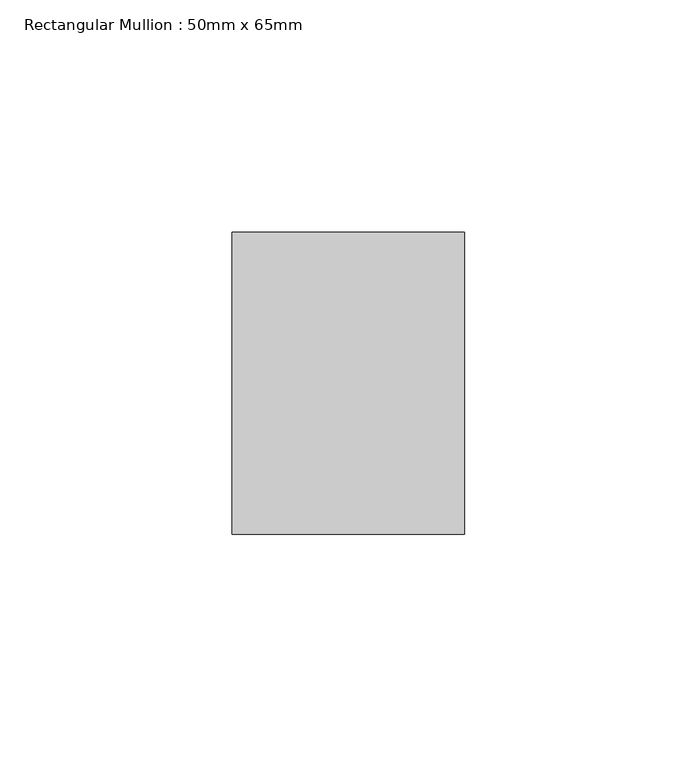
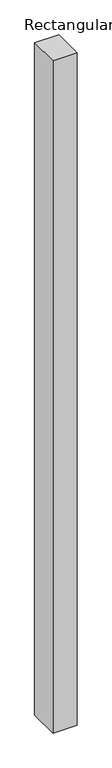
"""IFC4 building model written with IfcOpenShell, lengths in millimetres: member geometry, Rectangular Mullion : 50mm x 65mm."""

from ifc_helpers import new_model, si_unit, frame, origin, place, context, project, spatial, polyline, outline, extrude, source, transform, mapped, element, save


def rectangular_mullion_50mm_x_65mm_f2ee38ee(model_context):
    return source(origin(), model_context, "Body", "SweptSolid", [
        extrude(outline(polyline([(25.0, 32.5), (25.0, -32.5), (-25.0, -32.5), (-25.0, 32.5), (25.0, 32.5)])), frame((0.0, 0.0, -1473.7158026), z_axis=(0.0, 0.0, 1.0), x_axis=(1.0, 0.0, 0.0)), (0.0, 0.0, 1.0), 1473.7158026),
    ])


if __name__ == "__main__":
    model = new_model("IFC4")
    model_context = context("Model", 3, world=origin())
    ifc_project = project(units=[si_unit("LENGTHUNIT", "METRE", prefix="MILLI")], contexts=[model_context])
    site = spatial("IfcSite", under=ifc_project)
    building = spatial("IfcBuilding", under=site)
    placement = place(None, origin())
    rectangular_mullion_50mm_x_65mm_shape = rectangular_mullion_50mm_x_65mm_f2ee38ee(model_context)
    element("IfcMember", 1, ObjectType="Rectangular Mullion : 50mm x 65mm", at=placement, inside=building, context=model_context, shape_type="MappedRepresentation", body=[
        mapped(rectangular_mullion_50mm_x_65mm_shape, transform((0.0, 0.0, 0.0), x_axis=(1.0, 0.0, 0.0), y_axis=(0.0, 1.0, 0.0), z_axis=(0.0, 0.0, 1.0))),
    ])
    save(model, "model.ifc")
